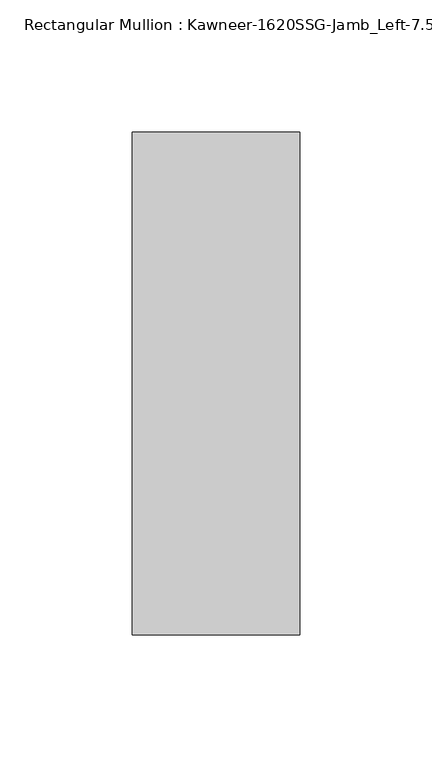
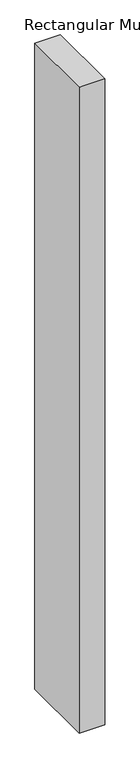
"""IFC4 building model written with IfcOpenShell, lengths in millimetres: member geometry."""

from ifc_helpers import new_model, si_unit, frame, origin, place, context, project, spatial, polyline, outline, extrude, source, transform, mapped, element, save


def member_68cec197(model_context):
    return source(origin(), model_context, "Body", "SweptSolid", [
        extrude(outline(polyline([(22.225, -38.1), (-41.275, -38.1), (-41.275, 152.4), (22.225, 152.4), (22.225, -38.1)])), frame((0.0, 0.0, -1695.45), z_axis=(0.0, 0.0, 1.0), x_axis=(1.0, 0.0, 0.0)), (0.0, 0.0, 1.0), 1695.45),
    ])


if __name__ == "__main__":
    model = new_model("IFC4")
    model_context = context("Model", 3, world=origin())
    ifc_project = project(units=[si_unit("LENGTHUNIT", "METRE", prefix="MILLI")], contexts=[model_context])
    site = spatial("IfcSite", under=ifc_project)
    building = spatial("IfcBuilding", under=site)
    placement = place(None, origin())
    member_shape = member_68cec197(model_context)
    element("IfcMember", 1, ObjectType="Rectangular Mullion : Kawneer-1620SSG-Jamb_Left-7.5\"-1\"Infill", at=placement, inside=building, context=model_context, shape_type="MappedRepresentation", body=[
        mapped(member_shape, transform((0.0, 0.0, 0.0), x_axis=(1.0, 0.0, 0.0), y_axis=(0.0, 1.0, 0.0), z_axis=(0.0, 0.0, 1.0))),
    ])
    save(model, "model.ifc")
